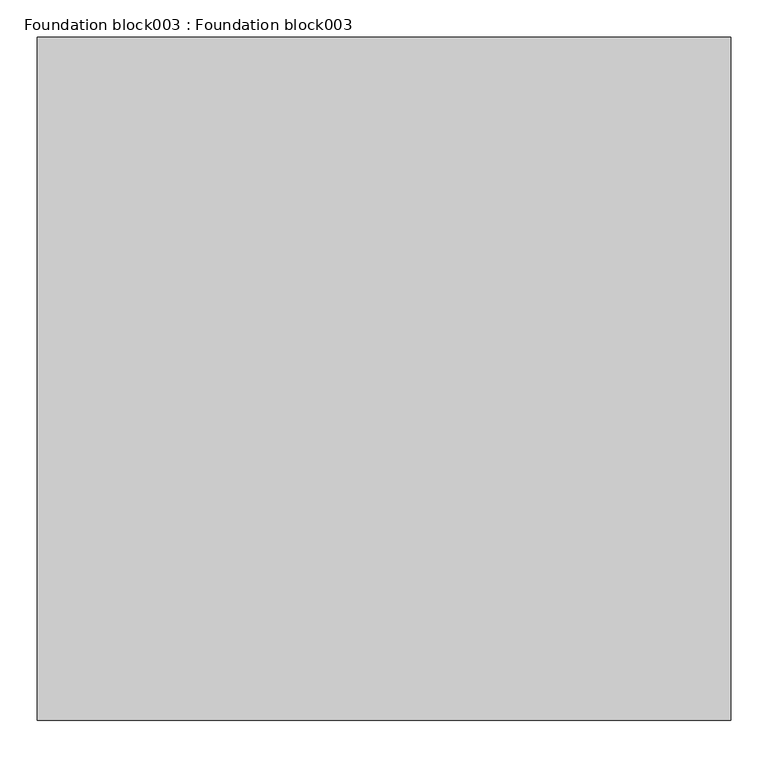
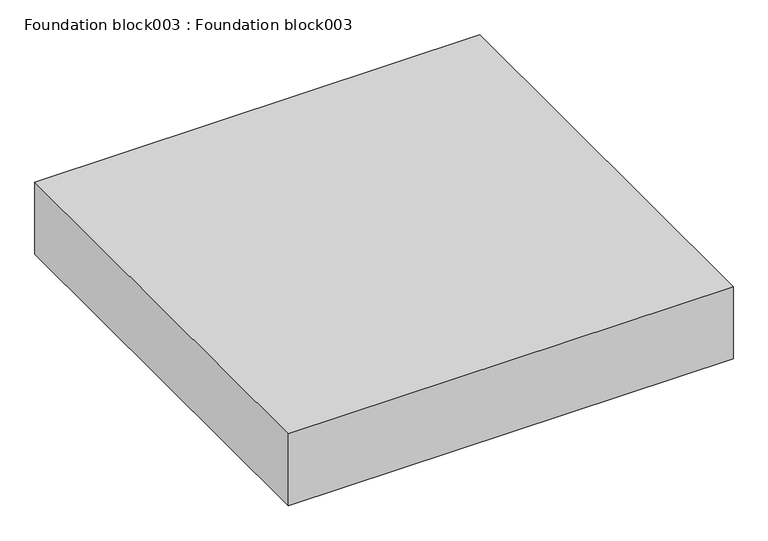
"""IFC4 building model written with IfcOpenShell, lengths in millimetres: proxy geometry, Foundation block003 : Foundation block003."""

from ifc_helpers import new_model, si_unit, frame, origin, place, context, project, spatial, polyline, outline, extrude, source, transform, mapped, element, save


def foundation_block003_foundation_block003_eca1fcef(model_context):
    return source(origin(), model_context, "Body", "SweptSolid", [
        extrude(outline(polyline([(38113.2694793, -19576.8264268), (37185.9963336, -19576.8264268), (37185.9963336, -18662.4264268), (38113.2694793, -18662.4264268), (38113.2694793, -19576.8264268)])), frame((0.0, 0.0, -158.75), z_axis=(0.0, 0.0, 1.0), x_axis=(1.0, 0.0, 0.0)), (0.0, 0.0, 1.0), 158.75),
    ])


if __name__ == "__main__":
    model = new_model("IFC4")
    model_context = context("Model", 3, world=origin())
    ifc_project = project(units=[si_unit("LENGTHUNIT", "METRE", prefix="MILLI")], contexts=[model_context])
    site = spatial("IfcSite", under=ifc_project)
    building = spatial("IfcBuilding", under=site)
    placement = place(None, origin())
    foundation_block003_foundation_block003_shape = foundation_block003_foundation_block003_eca1fcef(model_context)
    element("IfcBuildingElementProxy", 1, Name="Foundation block003 : Foundation block003", ObjectType="Foundation block003 : Foundation block003", at=placement, inside=building, context=model_context, shape_type="MappedRepresentation", body=[
        mapped(foundation_block003_foundation_block003_shape, transform((0.0, 0.0, 0.0), x_axis=(1.0, 0.0, 0.0), y_axis=(0.0, 1.0, 0.0), z_axis=(0.0, 0.0, 1.0))),
    ])
    save(model, "model.ifc")
